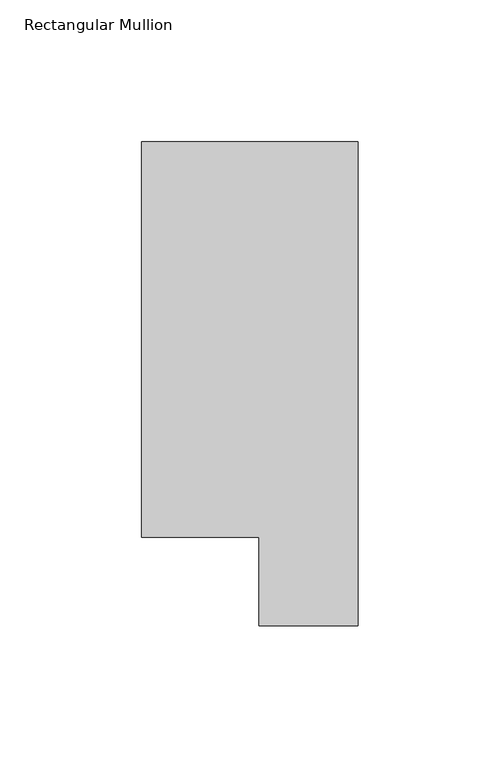
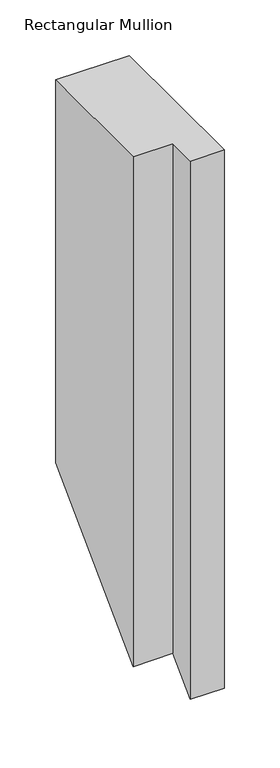
"""IFC4 building model written with IfcOpenShell, lengths in millimetres: member geometry, Rectangular Mullion."""

from ifc_helpers import new_model, si_unit, origin, place, context, project, spatial, faceted_brep, source, transform, mapped, element, save


def rectangular_mullion_0b3d2024(model_context):
    return source(origin(), model_context, "Body", "Brep", [
        faceted_brep([(-76.2, 190.0007313, 0.0), (-76.2, 50.820278, 0.0), (-34.9123, 50.820278, 0.0), (-34.9123, 19.5667313, 0.0), (0.0, 19.5667313, 0.0), (0.0, 190.0007313, 0.0), (-76.2, 190.0007313, -419.5992688), (-76.2, 50.820278, -558.779722), (-34.9123, 50.820278, -558.779722), (-34.9123, 19.5667313, -590.0332688), (0.0, 19.5667313, -590.0332688), (0.0, 190.0007313, -419.5992688)], [[[0, 1, 2, 3, 4, 5]], [[1, 0, 6, 7]], [[2, 1, 7, 8]], [[3, 2, 8, 9]], [[4, 3, 9, 10]], [[5, 4, 10, 11]], [[0, 5, 11, 6]], [[6, 11, 10, 9, 8, 7]]]),
    ])


if __name__ == "__main__":
    model = new_model("IFC4")
    model_context = context("Model", 3, world=origin())
    ifc_project = project(units=[si_unit("LENGTHUNIT", "METRE", prefix="MILLI")], contexts=[model_context])
    site = spatial("IfcSite", under=ifc_project)
    building = spatial("IfcBuilding", under=site)
    placement = place(None, origin())
    rectangular_mullion_shape = rectangular_mullion_0b3d2024(model_context)
    element("IfcMember", 1, ObjectType="Rectangular Mullion", at=placement, inside=building, context=model_context, shape_type="MappedRepresentation", body=[
        mapped(rectangular_mullion_shape, transform((0.0, 0.0, 0.0), x_axis=(1.0, 0.0, 0.0), y_axis=(0.0, 1.0, 0.0), z_axis=(0.0, 0.0, 1.0))),
    ])
    save(model, "model.ifc")
